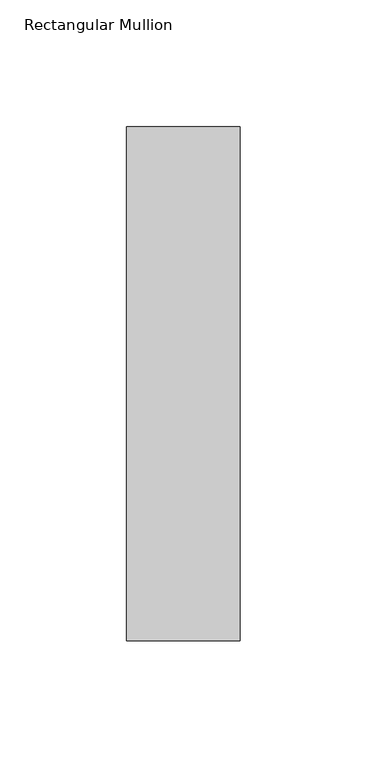
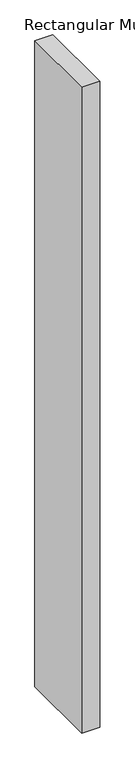
"""IFC4 building model written with IfcOpenShell, lengths in millimetres: member geometry, Rectangular Mullion."""

from ifc_helpers import new_model, si_unit, frame, origin, place, context, project, spatial, polyline, outline, extrude, source, transform, mapped, element, save


def rectangular_mullion_878f4e5b(model_context):
    return source(origin(), model_context, "Body", "SweptSolid", [
        extrude(outline(polyline([(22.5, 157.05), (22.5, -46.05), (-22.5, -46.05), (-22.5, 157.05), (22.5, 157.05)])), frame((0.0, 0.0, -1708.8912252), z_axis=(0.0, 0.0, 1.0), x_axis=(1.0, 0.0, 0.0)), (0.0, 0.0, 1.0), 1708.8912252),
    ])


if __name__ == "__main__":
    model = new_model("IFC4")
    model_context = context("Model", 3, world=origin())
    ifc_project = project(units=[si_unit("LENGTHUNIT", "METRE", prefix="MILLI")], contexts=[model_context])
    site = spatial("IfcSite", under=ifc_project)
    building = spatial("IfcBuilding", under=site)
    placement = place(None, origin())
    rectangular_mullion_shape = rectangular_mullion_878f4e5b(model_context)
    element("IfcMember", 1, ObjectType="Rectangular Mullion", at=placement, inside=building, context=model_context, shape_type="MappedRepresentation", body=[
        mapped(rectangular_mullion_shape, transform((0.0, 0.0, 0.0), x_axis=(1.0, 0.0, 0.0), y_axis=(0.0, 1.0, 0.0), z_axis=(0.0, 0.0, 1.0))),
    ])
    save(model, "model.ifc")
